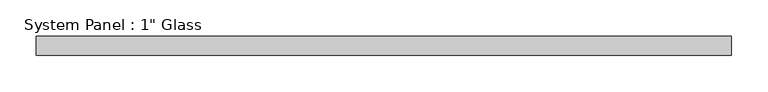
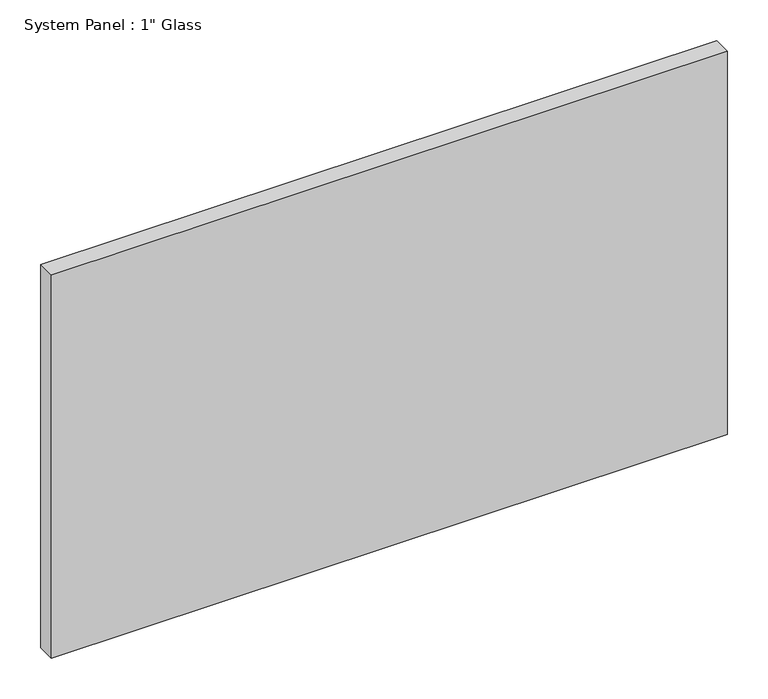
"""IFC4 building model written with IfcOpenShell, lengths in millimetres: plate geometry."""

from ifc_helpers import new_model, si_unit, origin, origin_with_axes, place, context, project, spatial, polyline, outline, extrude, source, transform, mapped, element, save


def plate_24c160df(model_context):
    return source(origin(), model_context, "Body", "SweptSolid", [
        extrude(outline(polyline([(476.25, -12.7), (-476.25, -12.7), (-476.25, 12.7), (476.25, 12.7), (476.25, -12.7)])), origin_with_axes(), (0.0, 0.0, 1.0), 571.5),
    ])


if __name__ == "__main__":
    model = new_model("IFC4")
    model_context = context("Model", 3, world=origin())
    ifc_project = project(units=[si_unit("LENGTHUNIT", "METRE", prefix="MILLI")], contexts=[model_context])
    site = spatial("IfcSite", under=ifc_project)
    building = spatial("IfcBuilding", under=site)
    placement = place(None, origin())
    plate_shape = plate_24c160df(model_context)
    element("IfcPlate", 1, ObjectType="System Panel : 1\" Glass", at=placement, inside=building, context=model_context, shape_type="MappedRepresentation", body=[
        mapped(plate_shape, transform((0.0, 0.0, 0.0), x_axis=(1.0, 0.0, 0.0), y_axis=(0.0, 1.0, 0.0), z_axis=(0.0, 0.0, 1.0))),
    ])
    save(model, "model.ifc")
